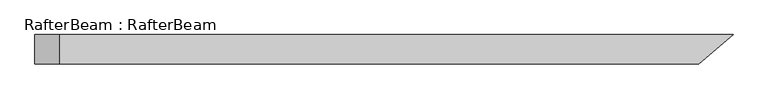
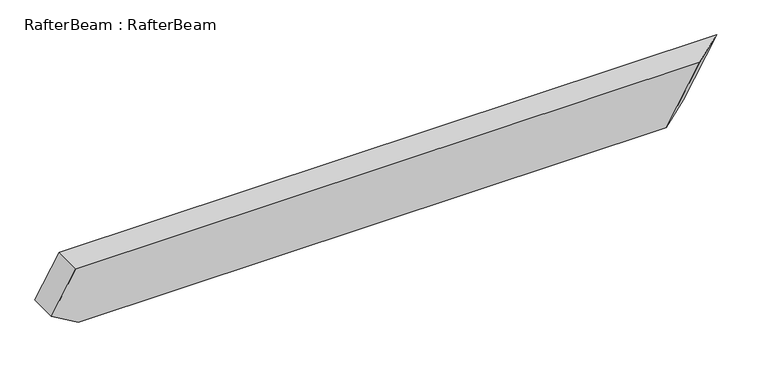
"""IFC4 building model written with IfcOpenShell, lengths in millimetres: beam geometry, RafterBeam : RafterBeam."""

from ifc_helpers import new_model, si_unit, origin, place, context, project, spatial, faceted_brep, source, transform, mapped, element, save


def rafterbeam_rafterbeam_99747e31(model_context):
    return source(origin(), model_context, "Body", "Brep", [
        faceted_brep([(812.9803155, -40.0, 80.0), (906.2104941, 40.0, 80.0), (-924.9151312, 40.0, 80.0), (-924.9151312, -40.0, 80.0), (813.834451, 40.0, -80.0), (720.6042724, -40.0, -80.0), (-917.2911743, -40.0, -80.0), (-917.2911743, 40.0, -80.0), (-992.2911743, 40.0, -36.6987298), (-992.2911743, -40.0, -36.6987298)], [[[0, 1, 2, 3]], [[4, 5, 6, 7]], [[1, 4, 7, 8, 2]], [[5, 0, 3, 9, 6]], [[0, 5, 4, 1]], [[3, 2, 8, 9]], [[7, 6, 9, 8]]]),
    ])


if __name__ == "__main__":
    model = new_model("IFC4")
    model_context = context("Model", 3, world=origin())
    ifc_project = project(units=[si_unit("LENGTHUNIT", "METRE", prefix="MILLI")], contexts=[model_context])
    site = spatial("IfcSite", under=ifc_project)
    building = spatial("IfcBuilding", under=site)
    placement = place(None, origin())
    rafterbeam_rafterbeam_shape = rafterbeam_rafterbeam_99747e31(model_context)
    element("IfcBeam", 1, ObjectType="RafterBeam : RafterBeam", at=placement, inside=building, context=model_context, shape_type="MappedRepresentation", body=[
        mapped(rafterbeam_rafterbeam_shape, transform((0.0, 0.0, 0.0), x_axis=(1.0, 0.0, 0.0), y_axis=(0.0, 1.0, 0.0), z_axis=(0.0, 0.0, 1.0))),
    ])
    save(model, "model.ifc")
